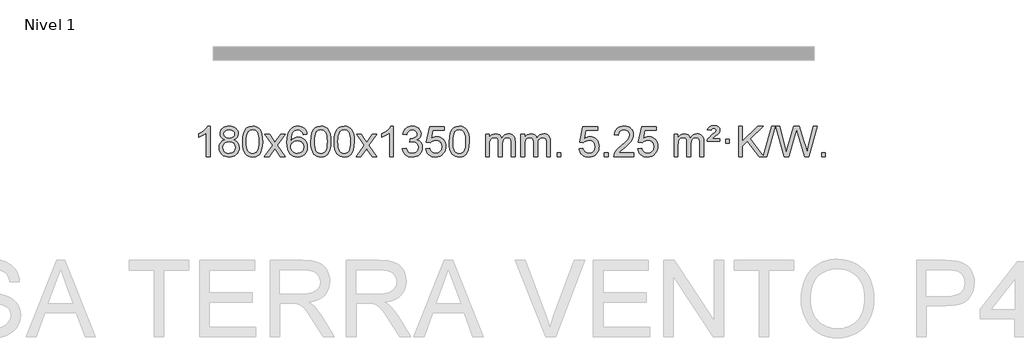
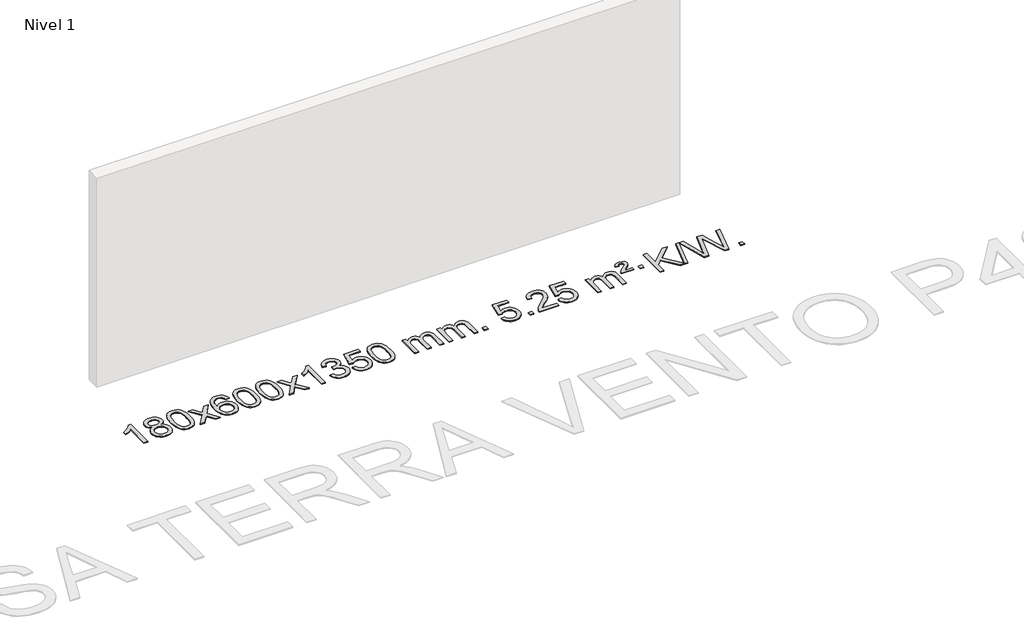
# One storey, part 2 of 10: 1 proxy.
"""IFC4 building model written with IfcOpenShell, lengths in millimetres."""

import ifcopenshell
import ifcopenshell.guid

model = None  # the IFC model being written
_history = None  # IfcOwnerHistory: only IFC2X3 demands one
_inside = {}  # id of a spatial element -> (the spatial element, [elements in it])
_under = {}  # id of a project, library or spatial element -> (it, [spatial elements below it])
_declared = {}  # id of a project -> (the project, [libraries it declares])
_typed = {}  # id of a type object -> (the type object, [elements of that type])
_made_of = {}  # id of a material, layer set ... -> (it, [elements and type objects made of it])


def new_model(schema):
    """Start an empty IFC model of exactly this schema.

    Asked for "IFC4X3", IfcOpenShell would pick the latest addendum, in which some entities
    have other attributes; the version numbers below select the first issue.
    IFC2X3 requires an IfcOwnerHistory on every rooted entity: one is made here for all.
    """
    global model, _history
    if schema == "IFC4X3":
        model = ifcopenshell.file(schema_version=(4, 3, 0, 0))
    else:
        model = ifcopenshell.file(schema=schema)
    _inside.clear()
    _under.clear()
    _declared.clear()
    _typed.clear()
    _made_of.clear()
    _history = None
    if model.schema == "IFC2X3":
        org = make("IfcOrganization", Name="unknown")
        user = make(
            "IfcPersonAndOrganization",
            ThePerson=make("IfcPerson", FamilyName="unknown"),
            TheOrganization=org,
        )
        app = make(
            "IfcApplication",
            ApplicationDeveloper=org,
            Version="unknown",
            ApplicationFullName="unknown",
            ApplicationIdentifier="unknown",
        )
        _history = make(
            "IfcOwnerHistory",
            OwningUser=user,
            OwningApplication=app,
            ChangeAction="ADDED",
            CreationDate=0,
        )
    return model


def make(cls, **values):
    """One entity of the class cls with the attributes given. An attribute that is None is left unset."""
    return model.create_entity(
        cls, **{name: value for name, value in values.items() if value is not None}
    )


def rooted(cls, **values):
    """An entity with a GlobalId (a new one), such as an element, a storey or a relation."""
    return make(cls, GlobalId=ifcopenshell.guid.new(), OwnerHistory=_history, **values)


def si_unit(unit_type, name, prefix=None):
    """IfcSIUnit, for example si_unit("LENGTHUNIT", "METRE", prefix="MILLI")."""
    return make("IfcSIUnit", UnitType=unit_type, Prefix=prefix, Name=name)


def assignment(units):
    """IfcUnitAssignment: the units of a project."""
    return None if units is None else make("IfcUnitAssignment", Units=units)


def point(xyz):
    """IfcCartesianPoint."""
    return None if xyz is None else make("IfcCartesianPoint", Coordinates=xyz)


def direction(xyz):
    """IfcDirection."""
    return None if xyz is None else make("IfcDirection", DirectionRatios=xyz)


def frame(location, z_axis=None, x_axis=None):
    """IfcAxis2Placement3D, a coordinate frame: its origin and axes. An axis left out is left unset."""
    return make(
        "IfcAxis2Placement3D",
        Location=point(location),
        Axis=direction(z_axis),
        RefDirection=direction(x_axis),
    )


def origin():
    """The frame at (0, 0, 0) with its axes left unset."""
    return frame((0.0, 0.0, 0.0))


def origin_with_axes():
    """The frame at (0, 0, 0) with the z axis (0, 0, 1) and the x axis (1, 0, 0) written out."""
    return frame((0.0, 0.0, 0.0), z_axis=(0.0, 0.0, 1.0), x_axis=(1.0, 0.0, 0.0))


def place(relative_to, where):
    """IfcLocalPlacement: puts the frame where relative to a parent placement (None: the world)."""
    return make(
        "IfcLocalPlacement", PlacementRelTo=relative_to, RelativePlacement=where
    )


def context(
    kind, dimensions, precision=None, world=None, true_north=None, identifier=None
):
    """IfcGeometricRepresentationContext, for example the 3D "Model" context."""
    return make(
        "IfcGeometricRepresentationContext",
        ContextIdentifier=identifier,
        ContextType=kind,
        CoordinateSpaceDimension=dimensions,
        Precision=precision,
        WorldCoordinateSystem=world,
        TrueNorth=true_north,
    )


def project(units=None, contexts=None):
    """IfcProject with its units and contexts."""
    return rooted(
        "IfcProject",
        Name="project",
        RepresentationContexts=contexts,
        UnitsInContext=assignment(units),
    )


def spatial(cls, under=None, at=None, **own):
    """A site, building, storey or space (cls), placed at a placement, below another one or the project."""
    s = rooted(cls, ObjectPlacement=at, **own)
    if under is not None:
        _under.setdefault(under.id(), (under, []))[1].append(s)
    return s


def polyline(points):
    """IfcPolyline through the points."""
    return make("IfcPolyline", Points=[point(p) for p in points])


def outline(outer, holes=None, kind="AREA"):
    """IfcArbitraryClosedProfileDef: a profile drawn as a closed curve; with holes, ...WithVoids."""
    if holes is None:
        return make("IfcArbitraryClosedProfileDef", ProfileType=kind, OuterCurve=outer)
    return make(
        "IfcArbitraryProfileDefWithVoids",
        ProfileType=kind,
        OuterCurve=outer,
        InnerCurves=holes,
    )


def extrude(swept, where, along, depth):
    """IfcExtrudedAreaSolid: the profile swept, set in the frame where, extruded along a direction by depth."""
    return make(
        "IfcExtrudedAreaSolid",
        SweptArea=swept,
        Position=where,
        ExtrudedDirection=direction(along),
        Depth=depth,
    )


def shape(context_of_items, identifier, shape_type, items):
    """IfcShapeRepresentation: the items that make up one representation, for example the "Body"."""
    return make(
        "IfcShapeRepresentation",
        ContextOfItems=context_of_items,
        RepresentationIdentifier=identifier,
        RepresentationType=shape_type,
        Items=items,
    )


def made_of(thing, what):
    """Note that an element or type object is made of a material, layer set ...; save() writes the relation."""
    if what is not None:
        _made_of.setdefault(what.id(), (what, []))[1].append(thing)
    return thing


def element(
    cls,
    number,
    at=None,
    inside=None,
    cuts=None,
    type_object=None,
    material=None,
    context=None,
    identifier="Body",
    shape_type=None,
    held_by="IfcProductDefinitionShape",
    body=None,
    shapes=None,
    **own,
):
    """One element of the class cls, such as IfcWall. Its Tag is "e" and its number.

    at: its placement. inside: the storey or other place that contains it. cuts: it is an
    opening in that element (IfcRelVoidsElement). A single representation is given by context,
    identifier, shape_type and body (its items); several are given by shapes. held_by: the class
    of the entity that holds the representations. save() writes the other relations.
    """
    e = rooted(cls, Tag="e%d" % number, ObjectPlacement=at, **own)
    if body is not None:
        shapes = [shape(context, identifier, shape_type, body)]
    if shapes is not None:
        e.Representation = make(held_by, Representations=shapes)
    if inside is not None:
        _inside.setdefault(inside.id(), (inside, []))[1].append(e)
    if cuts is not None:
        rooted(
            "IfcRelVoidsElement", RelatingBuildingElement=cuts, RelatedOpeningElement=e
        )
    if type_object is not None:
        _typed.setdefault(type_object.id(), (type_object, []))[1].append(e)
    return made_of(e, material)


def aggregate(whole, parts):
    """IfcRelAggregates: a whole, such as a stair, and the parts it consists of."""
    return rooted("IfcRelAggregates", RelatingObject=whole, RelatedObjects=parts)


def save(model, path):
    """Write the relations noted so far, then the file.

    IfcRelAggregates (storeys below a building ...), IfcRelContainedInSpatialStructure (elements
    in a storey), IfcRelDefinesByType, IfcRelAssociatesMaterial and IfcRelDeclares: one each for
    every whole, place, type object, material and project.
    """
    for whole, parts in _under.values():
        aggregate(whole, parts)
    for where, things in _inside.values():
        rooted(
            "IfcRelContainedInSpatialStructure",
            RelatedElements=things,
            RelatingStructure=where,
        )
    for kind, things in _typed.values():
        rooted("IfcRelDefinesByType", RelatedObjects=things, RelatingType=kind)
    for what, things in _made_of.values():
        rooted("IfcRelAssociatesMaterial", RelatedObjects=things, RelatingMaterial=what)
    for by, libraries in _declared.values():
        rooted("IfcRelDeclares", RelatingContext=by, RelatedDefinitions=libraries)
    model.write(path)


model = new_model("IFC4")

# Units and contexts
model_context = context("Model", 3, world=origin())
ifc_project = project(units=[si_unit("LENGTHUNIT", "METRE", prefix="MILLI")], contexts=[model_context])

# Site, building, storey
site = spatial("IfcSite", under=ifc_project)
building = spatial("IfcBuilding", under=site)
storey = spatial("IfcBuildingStorey", under=building, Name="Nivel 1", Elevation=0.0)

# Proxy
placement = place(None, origin())
element("IfcBuildingElementProxy", 1, Name="Texto de modelo 1", ObjectType="Texto de modelo 1", at=placement, inside=storey, context=model_context, shape_type="SweptSolid", body=[
    extrude(outline(polyline([(-6575.4615788, -21475.579453), (-6625.6897338, -21475.579453), (-6625.6897338, -21162.4382987), (-6646.6590076, -21179.3976587), (-6673.2691385, -21196.3324932), (-6726.146044, -21221.6918254), (-6726.146044, -21174.2105225), (-6686.6968314, -21152.7507395), (-6652.520594, -21127.219729), (-6625.5793692, -21100.0700378), (-6607.8351943, -21073.7542124), (-6575.4615788, -21073.7542124), (-6575.4615788, -21475.579453)])), origin_with_axes(), (0.0, 0.0, 1.0), 10.0),
    extrude(outline(polyline([(-6382.9857189, -21254.2616447), (-6409.8778927, -21241.0178929), (-6428.7502391, -21223.0652515), (-6439.8970635, -21200.7716026), (-6443.6126717, -21174.5048281), (-6441.5893207, -21154.0199324), (-6435.5192678, -21135.2395565), (-6425.4025129, -21118.1637006), (-6411.2390561, -21102.7923645), (-6393.709479, -21090.088173), (-6373.4943634, -21081.0137504), (-6350.5937092, -21075.5690969), (-6325.0075164, -21073.7542124), (-6299.2986964, -21075.6120165), (-6276.2263639, -21081.1854287), (-6255.7905191, -21090.4744491), (-6237.9911619, -21103.4790776), (-6223.5701876, -21119.1508506), (-6213.2694918, -21136.4413044), (-6207.0890743, -21155.3504389), (-6205.0289351, -21175.8782543), (-6208.6954923, -21201.2989001), (-6219.695164, -21223.2124043), (-6238.1505774, -21241.0546811), (-6264.1843599, -21254.2616447), (-6233.2700096, -21270.1909351), (-6210.7678942, -21293.6495436), (-6197.0458958, -21323.5092989), (-6192.4718963, -21358.6420295), (-6194.740502, -21383.6947933), (-6201.5463189, -21406.6628926), (-6212.8893471, -21427.5463272), (-6228.7695865, -21446.3450971), (-6248.3531714, -21461.88198), (-6270.8062358, -21472.9797536), (-6296.1287798, -21479.6384177), (-6324.3208034, -21481.8579724), (-6352.512827, -21479.6292206), (-6377.835371, -21472.9429654), (-6400.2884354, -21461.7992066), (-6419.8720203, -21446.1979443), (-6435.7522597, -21427.26735), (-6447.0952879, -21406.135595), (-6453.9011048, -21382.8026795), (-6456.1697105, -21357.2686033), (-6451.41177, -21320.7747094), (-6437.1379486, -21290.7555386), (-6414.0840102, -21268.2411605), (-6382.9857189, -21254.2616447)]), holes=[polyline([(-6393.3845166, -21175.9763561), (-6388.9331445, -21197.902123), (-6375.5790281, -21215.413306), (-6353.7145748, -21226.8912243), (-6323.7321922, -21230.717197), (-6294.4487854, -21226.9157497), (-6272.9154259, -21215.5114079), (-6259.6716741, -21198.5888361), (-6255.2570902, -21178.232699), (-6259.8188269, -21157.1040098), (-6273.5040371, -21139.629615), (-6295.3317022, -21127.8941794), (-6324.3208034, -21123.9823675), (-6353.4938456, -21127.8083402), (-6375.2847225, -21139.2862585), (-6388.8595681, -21156.1107284), (-6393.3845166, -21175.9763561)]), polyline([(-6405.9415554, -21355.5027698), (-6403.844628, -21374.7184726), (-6397.5538459, -21393.3210389), (-6385.9410376, -21409.5446349), (-6367.8780316, -21421.623427), (-6346.2465703, -21429.1282197), (-6323.9283959, -21431.6298173), (-6289.7398958, -21426.3691048), (-6275.8462192, -21419.7932141), (-6264.086258, -21410.5869672), (-6248.0466031, -21386.6869002), (-6242.7000514, -21357.0723996), (-6248.2182813, -21326.9551269), (-6264.7729711, -21302.5277625), (-6276.8517633, -21293.0854579), (-6291.0152201, -21286.3409547), (-6325.5961276, -21280.9453521), (-6359.3063811, -21286.2673783), (-6373.043708, -21292.919911), (-6384.7025015, -21302.2334569), (-6400.6317919, -21326.1948375), (-6405.9415554, -21355.5027698)])]), origin_with_axes(), (0.0, 0.0, 1.0), 10.0),
    extrude(outline(polyline([(-6148.5222606, -21277.9041943), (-6144.8311779, -21213.5861588), (-6133.7579299, -21162.2911459), (-6115.4128811, -21123.2343407), (-6103.5548181, -21108.0009605), (-6089.9063961, -21095.6309284), (-6074.4216298, -21086.0598651), (-6057.0545339, -21079.2233914), (-6016.6733536, -21073.7542124), (-5985.722215, -21076.991574), (-5958.0084381, -21086.7036586), (-5934.8318724, -21102.5103217), (-5917.4923677, -21124.0314184), (-5904.3957686, -21151.0830078), (-5893.94792, -21183.4811488), (-5887.1053149, -21224.6226186), (-5884.8244465, -21277.9041943), (-5888.478741, -21341.8543477), (-5899.4416244, -21393.0267333), (-5917.6763087, -21432.1203266), (-5929.5067805, -21447.3996922), (-5943.1460055, -21459.8341036), (-5958.6491659, -21469.4695462), (-5976.071444, -21476.3520052), (-6016.6733536, -21481.8579724), (-6044.3380796, -21479.4667394), (-6068.8635459, -21472.2930405), (-6090.2497526, -21460.3368757), (-6108.4966996, -21443.5982449), (-6126.0078825, -21413.3399508), (-6138.5158704, -21375.6381776), (-6146.0206631, -21330.4929255), (-6148.5222606, -21277.9041943)]), holes=[polyline([(-6098.2941056, -21277.8060924), (-6096.8225776, -21321.4706195), (-6092.4079936, -21356.8148822), (-6085.0503537, -21383.8388804), (-6074.7496579, -21402.5426142), (-6062.290721, -21415.2682656), (-6048.4583579, -21424.3580165), (-6033.2525688, -21429.8118671), (-6016.6733536, -21431.6298173), (-6000.0941383, -21429.8057357), (-5984.8883492, -21424.3334911), (-5971.0559862, -21415.2130833), (-5958.5970493, -21402.4445124), (-5948.2963534, -21383.7101217), (-5940.9387135, -21356.6922549), (-5936.5241295, -21321.3909118), (-5935.0526016, -21277.8060924), (-5936.4750786, -21235.2973278), (-5940.7425098, -21200.5753989), (-5947.854895, -21173.6403055), (-5957.8122343, -21154.4920476), (-5970.0627048, -21141.1440625), (-5984.0544833, -21131.6097875), (-5999.78757, -21125.8892225), (-6017.2619648, -21123.9823675), (-6033.7553409, -21125.6623619), (-6048.7036126, -21130.7023452), (-6062.10678, -21139.1023175), (-6073.9648429, -21150.8622786), (-6084.6088953, -21171.708925), (-6092.2117899, -21199.8151094), (-6096.7735266, -21235.1808319), (-6098.2941056, -21277.8060924)])]), origin_with_axes(), (0.0, 0.0, 1.0), 10.0),
    extrude(outline(polyline([(-5859.7103689, -21475.579453), (-5752.3869282, -21327.2494325), (-5853.4318496, -21180.4890419), (-5793.0011005, -21180.4890419), (-5744.2444734, -21251.122385), (-5721.4848406, -21284.4770192), (-5701.7663657, -21257.2047007), (-5646.2407099, -21180.4890419), (-5585.8099608, -21180.4890419), (-5691.9561791, -21327.2494325), (-5589.7340354, -21475.579453), (-5650.1647845, -21475.579453), (-5711.6746541, -21386.4048574), (-5722.9563686, -21370.1199477), (-5799.2796199, -21475.579453), (-5859.7103689, -21475.579453)])), origin_with_axes(), (0.0, 0.0, 1.0), 10.0),
    extrude(outline(polyline([(-5300.9221437, -21180.4890419), (-5351.1502988, -21186.7675613), (-5359.2437027, -21161.874213), (-5370.1820607, -21144.8780648), (-5392.9662189, -21129.2062918), (-5420.5083176, -21123.9823675), (-5443.8565616, -21127.0235253), (-5465.8313794, -21136.1469988), (-5484.7037258, -21155.3627017), (-5500.1179814, -21181.8134171), (-5510.5290419, -21219.227016), (-5514.3918028, -21271.3313693), (-5494.2441322, -21247.8237098), (-5470.0988106, -21231.2567573), (-5443.3047386, -21221.434308), (-5415.2108169, -21218.1601582), (-5391.077758, -21220.398107), (-5368.8086346, -21227.1119534), (-5348.4034466, -21238.3016975), (-5329.862194, -21253.9673391), (-5314.4540698, -21273.1769106), (-5303.4482668, -21294.9984443), (-5296.844785, -21319.4319401), (-5294.6436244, -21346.4773982), (-5298.7884282, -21382.4439945), (-5311.2228396, -21415.786366), (-5330.9167891, -21444.0642287), (-5356.840207, -21464.8372987), (-5387.815871, -21477.602804), (-5422.6665587, -21481.8579724), (-5452.6090874, -21479.0375437), (-5479.6514797, -21470.5762579), (-5503.7937357, -21456.4741147), (-5525.0358552, -21436.7311143), (-5542.3539001, -21410.5133908), (-5554.7239322, -21376.9870783), (-5562.1459515, -21336.1521768), (-5564.6199579, -21288.0086864), (-5561.8731057, -21234.0342663), (-5553.632549, -21187.9693092), (-5539.8982878, -21149.8138149), (-5520.6703222, -21119.5677835), (-5499.8298072, -21099.5243462), (-5475.6660915, -21085.2076052), (-5448.179175, -21076.6175606), (-5417.3690579, -21073.7542124), (-5394.2354118, -21075.5261773), (-5373.2967949, -21080.8420722), (-5354.5532073, -21089.7018969), (-5338.0046489, -21102.1056515), (-5324.0987094, -21117.6364031), (-5313.2829788, -21135.8772186), (-5305.5574569, -21156.8280983), (-5300.9221437, -21180.4890419)]), holes=[polyline([(-5514.3918028, -21345.6925832), (-5511.485535, -21367.9494439), (-5502.7667318, -21389.2007605), (-5489.2286743, -21407.472233), (-5471.8646442, -21420.7895612), (-5450.9076332, -21428.9197533), (-5426.5906333, -21431.6298173), (-5393.4444655, -21426.0134855), (-5379.5293291, -21418.9930708), (-5367.3861575, -21409.1644901), (-5357.5361171, -21396.9262824), (-5350.500374, -21382.6769865), (-5344.8717794, -21348.1451299), (-5350.4267976, -21314.9989621), (-5357.3705702, -21301.3781312), (-5367.0918519, -21289.725469), (-5379.2718117, -21280.3904634), (-5393.5916183, -21273.7226022), (-5428.6507725, -21268.3883133), (-5461.7478893, -21273.7226022), (-5489.4248781, -21289.725469), (-5500.3479076, -21301.2248471), (-5508.1500716, -21314.3858254), (-5512.83137, -21329.2084042), (-5514.3918028, -21345.6925832)])]), origin_with_axes(), (0.0, 0.0, 1.0), 10.0),
    extrude(outline(polyline([(-5250.6939887, -21277.9041943), (-5247.002906, -21213.5861588), (-5235.9296579, -21162.2911459), (-5217.5846091, -21123.2343407), (-5205.7265461, -21108.0009605), (-5192.0781241, -21095.6309284), (-5176.5933578, -21086.0598651), (-5159.2262619, -21079.2233914), (-5118.8450816, -21073.7542124), (-5087.8939431, -21076.991574), (-5060.1801661, -21086.7036586), (-5037.0036004, -21102.5103217), (-5019.6640957, -21124.0314184), (-5006.5674967, -21151.0830078), (-4996.119648, -21183.4811488), (-4989.2770429, -21224.6226186), (-4986.9961745, -21277.9041943), (-4990.650469, -21341.8543477), (-5001.6133525, -21393.0267333), (-5019.8480367, -21432.1203266), (-5031.6785085, -21447.3996922), (-5045.3177335, -21459.8341036), (-5060.8208939, -21469.4695462), (-5078.2431721, -21476.3520052), (-5118.8450816, -21481.8579724), (-5146.5098076, -21479.4667394), (-5171.035274, -21472.2930405), (-5192.4214806, -21460.3368757), (-5210.6684276, -21443.5982449), (-5228.1796106, -21413.3399508), (-5240.6875984, -21375.6381776), (-5248.1923911, -21330.4929255), (-5250.6939887, -21277.9041943)]), holes=[polyline([(-5200.4658336, -21277.8060924), (-5198.9943056, -21321.4706195), (-5194.5797217, -21356.8148822), (-5187.2220818, -21383.8388804), (-5176.9213859, -21402.5426142), (-5164.462449, -21415.2682656), (-5150.630086, -21424.3580165), (-5135.4242968, -21429.8118671), (-5118.8450816, -21431.6298173), (-5102.2658663, -21429.8057357), (-5087.0600772, -21424.3334911), (-5073.2277142, -21415.2130833), (-5060.7687773, -21402.4445124), (-5050.4680814, -21383.7101217), (-5043.1104415, -21356.6922549), (-5038.6958576, -21321.3909118), (-5037.2243296, -21277.8060924), (-5038.6468066, -21235.2973278), (-5042.9142378, -21200.5753989), (-5050.026623, -21173.6403055), (-5059.9839624, -21154.4920476), (-5072.2344328, -21141.1440625), (-5086.2262114, -21131.6097875), (-5101.959298, -21125.8892225), (-5119.4336928, -21123.9823675), (-5135.9270689, -21125.6623619), (-5150.8753406, -21130.7023452), (-5164.278508, -21139.1023175), (-5176.136571, -21150.8622786), (-5186.7806234, -21171.708925), (-5194.3835179, -21199.8151094), (-5198.9452547, -21235.1808319), (-5200.4658336, -21277.8060924)])]), origin_with_axes(), (0.0, 0.0, 1.0), 10.0),
    extrude(outline(polyline([(-4943.0465388, -21277.9041943), (-4939.3554561, -21213.5861588), (-4928.2822081, -21162.2911459), (-4909.9371593, -21123.2343407), (-4898.0790963, -21108.0009605), (-4884.4306743, -21095.6309284), (-4868.945908, -21086.0598651), (-4851.5788121, -21079.2233914), (-4811.1976318, -21073.7542124), (-4780.2464932, -21076.991574), (-4752.5327163, -21086.7036586), (-4729.3561506, -21102.5103217), (-4712.0166459, -21124.0314184), (-4698.9200468, -21151.0830078), (-4688.4721982, -21183.4811488), (-4681.6295931, -21224.6226186), (-4679.3487247, -21277.9041943), (-4683.0030192, -21341.8543477), (-4693.9659026, -21393.0267333), (-4712.2005869, -21432.1203266), (-4724.0310587, -21447.3996922), (-4737.6702837, -21459.8341036), (-4753.1734441, -21469.4695462), (-4770.5957222, -21476.3520052), (-4811.1976318, -21481.8579724), (-4838.8623578, -21479.4667394), (-4863.3878241, -21472.2930405), (-4884.7740308, -21460.3368757), (-4903.0209778, -21443.5982449), (-4920.5321607, -21413.3399508), (-4933.0401486, -21375.6381776), (-4940.5449413, -21330.4929255), (-4943.0465388, -21277.9041943)]), holes=[polyline([(-4892.8183838, -21277.8060924), (-4891.3468558, -21321.4706195), (-4886.9322718, -21356.8148822), (-4879.5746319, -21383.8388804), (-4869.2739361, -21402.5426142), (-4856.8149992, -21415.2682656), (-4842.9826361, -21424.3580165), (-4827.776847, -21429.8118671), (-4811.1976318, -21431.6298173), (-4794.6184165, -21429.8057357), (-4779.4126274, -21424.3334911), (-4765.5802644, -21415.2130833), (-4753.1213275, -21402.4445124), (-4742.8206316, -21383.7101217), (-4735.4629917, -21356.6922549), (-4731.0484077, -21321.3909118), (-4729.5768798, -21277.8060924), (-4730.9993568, -21235.2973278), (-4735.266788, -21200.5753989), (-4742.3791732, -21173.6403055), (-4752.3365125, -21154.4920476), (-4764.586983, -21141.1440625), (-4778.5787615, -21131.6097875), (-4794.3118482, -21125.8892225), (-4811.786243, -21123.9823675), (-4828.2796191, -21125.6623619), (-4843.2278908, -21130.7023452), (-4856.6310582, -21139.1023175), (-4868.4891211, -21150.8622786), (-4879.1331735, -21171.708925), (-4886.7360681, -21199.8151094), (-4891.2978048, -21235.1808319), (-4892.8183838, -21277.8060924)])]), origin_with_axes(), (0.0, 0.0, 1.0), 10.0),
    extrude(outline(polyline([(-4654.2346472, -21475.579453), (-4546.9112064, -21327.2494325), (-4647.9561278, -21180.4890419), (-4587.5253787, -21180.4890419), (-4538.7687516, -21251.122385), (-4516.0091188, -21284.4770192), (-4496.2906439, -21257.2047007), (-4440.7649881, -21180.4890419), (-4380.334239, -21180.4890419), (-4486.4804574, -21327.2494325), (-4384.2583136, -21475.579453), (-4444.6890627, -21475.579453), (-4506.1989323, -21386.4048574), (-4517.4806468, -21370.1199477), (-4593.8038981, -21475.579453), (-4654.2346472, -21475.579453)])), origin_with_axes(), (0.0, 0.0, 1.0), 10.0),
    extrude(outline(polyline([(-4164.5101352, -21475.579453), (-4214.7382902, -21475.579453), (-4214.7382902, -21162.4382987), (-4235.707564, -21179.3976587), (-4262.317695, -21196.3324932), (-4315.1946004, -21221.6918254), (-4315.1946004, -21174.2105225), (-4275.7453878, -21152.7507395), (-4241.5691504, -21127.219729), (-4214.6279257, -21100.0700378), (-4196.8837508, -21073.7542124), (-4164.5101352, -21073.7542124), (-4164.5101352, -21475.579453)])), origin_with_axes(), (0.0, 0.0, 1.0), 10.0),
    extrude(outline(polyline([(-4045.2182669, -21368.8446235), (-3994.9901118, -21362.5661041), (-3983.7451855, -21394.1303793), (-3967.2763348, -21415.4430095), (-3944.7742195, -21427.5831154), (-3915.429499, -21431.6298173), (-3880.9957442, -21426.0625364), (-3866.7219228, -21419.1034354), (-3854.4101387, -21409.3606939), (-3837.4139905, -21384.4428201), (-3831.7486078, -21354.2274455), (-3837.3649396, -21325.5449126), (-3854.213935, -21302.2825078), (-3879.72042, -21286.8682522), (-3911.3092206, -21281.730167), (-3946.5277903, -21287.2238715), (-3940.935984, -21236.9957164), (-3932.891631, -21237.5843276), (-3902.7988838, -21233.979084), (-3875.8944472, -21223.1633534), (-3864.8211992, -21214.9841103), (-3856.9117363, -21204.8673555), (-3852.1660585, -21192.8130888), (-3850.584166, -21178.8213102), (-3855.1704282, -21157.1285352), (-3868.9292148, -21139.5315131), (-3889.923014, -21127.8696539), (-3916.2143139, -21123.9823675), (-3942.5546648, -21127.9064421), (-3964.0880242, -21139.6786659), (-3979.8088481, -21159.299039), (-3988.7115924, -21186.7675613), (-4038.9397475, -21180.4890419), (-4032.9861905, -21156.5092672), (-4024.1508913, -21135.3867093), (-4012.4338497, -21117.1213683), (-3997.8350659, -21101.713244), (-3980.8143923, -21089.4811677), (-3961.8316813, -21080.7439703), (-3940.886933, -21075.5016519), (-3917.9801475, -21073.7542124), (-3886.4036096, -21077.2000404), (-3857.4022456, -21087.5375245), (-3832.9503557, -21103.8469596), (-3815.0222398, -21125.2086408), (-3804.0225681, -21149.8199463), (-3800.3560109, -21175.8782543), (-3803.8386271, -21200.1584659), (-3814.2864758, -21222.1823347), (-3831.5524041, -21240.9443165), (-3855.4892592, -21255.4388671), (-3824.0476114, -21268.1430586), (-3800.7484183, -21289.77452), (-3786.3274441, -21319.1560286), (-3781.5204527, -21355.1103623), (-3783.9239484, -21380.5923218), (-3791.1344355, -21404.0631931), (-3803.151914, -21425.5229762), (-3819.976384, -21444.971671), (-3840.4735425, -21461.1094278), (-3863.5090867, -21472.636397), (-3889.0830168, -21479.5525785), (-3917.1953326, -21481.8579724), (-3942.6037157, -21479.8898037), (-3965.7557559, -21473.9852977), (-3986.6514532, -21464.1444543), (-4005.2908077, -21450.3672736), (-4020.9196611, -21433.4630959), (-4032.7838554, -21414.2412617), (-4040.8833907, -21392.7017708), (-4045.2182669, -21368.8446235)])), origin_with_axes(), (0.0, 0.0, 1.0), 10.0),
    extrude(outline(polyline([(-3737.570817, -21368.8446235), (-3687.342662, -21362.5661041), (-3678.1210866, -21392.7201649), (-3662.0323807, -21414.3148381), (-3639.1501206, -21427.3010725), (-3609.5478827, -21431.6298173), (-3590.418019, -21430.1245668), (-3573.5444981, -21425.6088153), (-3558.9273202, -21418.0825628), (-3546.5664851, -21407.5458094), (-3536.7379045, -21394.519721), (-3529.7174898, -21379.5254641), (-3524.101158, -21343.6324441), (-3529.3618705, -21309.8363514), (-3535.9377612, -21295.9181493), (-3545.1440081, -21283.9865099), (-3557.0112681, -21274.4154467), (-3571.5701981, -21267.5789729), (-3608.7630678, -21262.1097939), (-3633.1291186, -21264.2925604), (-3652.8598563, -21270.8408599), (-3668.6174684, -21280.8717757), (-3681.0641426, -21293.5023908), (-3731.2922977, -21287.2238715), (-3687.342662, -21080.0327318), (-3492.708561, -21080.0327318), (-3492.708561, -21130.2608869), (-3646.7284897, -21130.2608869), (-3668.2127982, -21240.919791), (-3650.4870174, -21228.2155994), (-3632.332041, -21219.1411769), (-3613.7478688, -21213.6965234), (-3594.734501, -21211.8816388), (-3570.273414, -21214.1318504), (-3547.8050212, -21220.882485), (-3527.3293225, -21232.1335427), (-3508.8463179, -21247.8850234), (-3493.5454926, -21267.1743027), (-3482.6163316, -21289.038756), (-3476.0588351, -21313.4783832), (-3473.8730029, -21340.4931844), (-3475.8411716, -21366.5147042), (-3481.7456776, -21390.7213394), (-3491.586521, -21413.1130902), (-3505.3637017, -21433.6899565), (-3526.2348735, -21454.7634634), (-3550.5886616, -21469.8159684), (-3578.4250659, -21478.8474714), (-3609.7440864, -21481.8579724), (-3635.6644387, -21479.9235262), (-3659.077062, -21474.1201877), (-3679.9819564, -21464.447957), (-3698.3791218, -21450.9068338), (-3713.6860785, -21434.1712688), (-3725.3203466, -21414.915712), (-3733.2819261, -21393.1401636), (-3737.570817, -21368.8446235)])), origin_with_axes(), (0.0, 0.0, 1.0), 10.0),
    extrude(outline(polyline([(-3429.9233672, -21277.9041943), (-3426.2322845, -21213.5861588), (-3415.1590365, -21162.2911459), (-3396.8139876, -21123.2343407), (-3384.9559247, -21108.0009605), (-3371.3075026, -21095.6309284), (-3355.8227363, -21086.0598651), (-3338.4556405, -21079.2233914), (-3298.0744601, -21073.7542124), (-3267.1233216, -21076.991574), (-3239.4095446, -21086.7036586), (-3216.2329789, -21102.5103217), (-3198.8934742, -21124.0314184), (-3185.7968752, -21151.0830078), (-3175.3490265, -21183.4811488), (-3168.5064214, -21224.6226186), (-3166.2255531, -21277.9041943), (-3169.8798475, -21341.8543477), (-3180.842731, -21393.0267333), (-3199.0774152, -21432.1203266), (-3210.9078871, -21447.3996922), (-3224.547112, -21459.8341036), (-3240.0502724, -21469.4695462), (-3257.4725506, -21476.3520052), (-3298.0744601, -21481.8579724), (-3325.7391862, -21479.4667394), (-3350.2646525, -21472.2930405), (-3371.6508592, -21460.3368757), (-3389.8978061, -21443.5982449), (-3407.4089891, -21413.3399508), (-3419.9169769, -21375.6381776), (-3427.4217696, -21330.4929255), (-3429.9233672, -21277.9041943)]), holes=[polyline([(-3379.6952121, -21277.8060924), (-3378.2236842, -21321.4706195), (-3373.8091002, -21356.8148822), (-3366.4514603, -21383.8388804), (-3356.1507644, -21402.5426142), (-3343.6918275, -21415.2682656), (-3329.8594645, -21424.3580165), (-3314.6536754, -21429.8118671), (-3298.0744601, -21431.6298173), (-3281.4952449, -21429.8057357), (-3266.2894558, -21424.3334911), (-3252.4570927, -21415.2130833), (-3239.9981558, -21402.4445124), (-3229.69746, -21383.7101217), (-3222.3398201, -21356.6922549), (-3217.9252361, -21321.3909118), (-3216.4537081, -21277.8060924), (-3217.8761852, -21235.2973278), (-3222.1436163, -21200.5753989), (-3229.2560016, -21173.6403055), (-3239.2133409, -21154.4920476), (-3251.4638113, -21141.1440625), (-3265.4555899, -21131.6097875), (-3281.1886766, -21125.8892225), (-3298.6630713, -21123.9823675), (-3315.1564474, -21125.6623619), (-3330.1047192, -21130.7023452), (-3343.5078865, -21139.1023175), (-3355.3659495, -21150.8622786), (-3366.0100019, -21171.708925), (-3373.6128965, -21199.8151094), (-3378.1746332, -21235.1808319), (-3379.6952121, -21277.8060924)])]), origin_with_axes(), (0.0, 0.0, 1.0), 10.0),
    extrude(outline(polyline([(-2952.755894, -21475.579453), (-2952.755894, -21180.4890419), (-2902.5277389, -21180.4890419), (-2902.5277389, -21229.0494653), (-2887.4200517, -21206.7435537), (-2867.9958823, -21189.2691589), (-2844.9174185, -21177.9751816), (-2818.8468478, -21174.2105225), (-2790.9123416, -21178.048758), (-2768.5205908, -21189.5634645), (-2751.7942228, -21207.9943524), (-2740.8558648, -21232.5811324), (-2722.5476041, -21207.0439906), (-2701.6641696, -21188.803175), (-2678.205561, -21177.8586857), (-2652.1717785, -21174.2105225), (-2632.0639617, -21175.7280358), (-2614.414823, -21180.2805755), (-2599.2243623, -21187.8681416), (-2586.4925796, -21198.4907342), (-2576.4279413, -21212.2709806), (-2569.238914, -21229.3315082), (-2564.9254976, -21249.6723168), (-2563.4876922, -21273.2934066), (-2563.4876922, -21475.579453), (-2613.7158472, -21475.579453), (-2613.7158472, -21294.875817), (-2614.8808069, -21269.8230531), (-2618.3756858, -21252.9372695), (-2624.9239854, -21241.3735121), (-2635.2492067, -21232.2868268), (-2648.5297467, -21226.4007149), (-2663.9440023, -21224.4386776), (-2691.1550072, -21229.4663982), (-2713.3382915, -21244.54956), (-2721.9436645, -21256.1194488), (-2728.0903595, -21270.7182326), (-2733.0077155, -21309.0024856), (-2733.0077155, -21475.579453), (-2783.2358706, -21475.579453), (-2783.2358706, -21289.2840106), (-2786.1421384, -21260.8835206), (-2794.8609417, -21240.6254854), (-2810.2016209, -21228.4853796), (-2832.9735164, -21224.4386776), (-2852.3241093, -21227.1364789), (-2870.1541233, -21235.2298828), (-2884.8694032, -21248.5226856), (-2894.8757934, -21266.8186835), (-2900.6147525, -21292.2025411), (-2902.5277389, -21326.7589232), (-2902.5277389, -21475.579453), (-2952.755894, -21475.579453)])), origin_with_axes(), (0.0, 0.0, 1.0), 10.0),
    extrude(outline(polyline([(-2488.1454596, -21475.579453), (-2488.1454596, -21180.4890419), (-2437.9173045, -21180.4890419), (-2437.9173045, -21229.0494653), (-2422.8096172, -21206.7435537), (-2403.3854479, -21189.2691589), (-2380.306984, -21177.9751816), (-2354.2364133, -21174.2105225), (-2326.3019071, -21178.048758), (-2303.9101564, -21189.5634645), (-2287.1837883, -21207.9943524), (-2276.2454303, -21232.5811324), (-2257.9371697, -21207.0439906), (-2237.0537351, -21188.803175), (-2213.5951266, -21177.8586857), (-2187.561344, -21174.2105225), (-2167.4535273, -21175.7280358), (-2149.8043886, -21180.2805755), (-2134.6139279, -21187.8681416), (-2121.8821452, -21198.4907342), (-2111.8175069, -21212.2709806), (-2104.6284796, -21229.3315082), (-2100.3150632, -21249.6723168), (-2098.8772577, -21273.2934066), (-2098.8772577, -21475.579453), (-2149.1054128, -21475.579453), (-2149.1054128, -21294.875817), (-2150.2703724, -21269.8230531), (-2153.7652514, -21252.9372695), (-2160.3135509, -21241.3735121), (-2170.6387722, -21232.2868268), (-2183.9193123, -21226.4007149), (-2199.3335679, -21224.4386776), (-2226.5445728, -21229.4663982), (-2248.7278571, -21244.54956), (-2257.3332301, -21256.1194488), (-2263.4799251, -21270.7182326), (-2268.3972811, -21309.0024856), (-2268.3972811, -21475.579453), (-2318.6254362, -21475.579453), (-2318.6254362, -21289.2840106), (-2321.5317039, -21260.8835206), (-2330.2505072, -21240.6254854), (-2345.5911864, -21228.4853796), (-2368.3630819, -21224.4386776), (-2387.7136749, -21227.1364789), (-2405.5436889, -21235.2298828), (-2420.2589687, -21248.5226856), (-2430.265359, -21266.8186835), (-2436.0043181, -21292.2025411), (-2437.9173045, -21326.7589232), (-2437.9173045, -21475.579453), (-2488.1454596, -21475.579453)])), origin_with_axes(), (0.0, 0.0, 1.0), 10.0),
    extrude(outline(polyline([(-2010.9779863, -21475.579453), (-2010.9779863, -21425.3512979), (-1960.7498313, -21425.3512979), (-1960.7498313, -21475.579453), (-2010.9779863, -21475.579453)])), origin_with_axes(), (0.0, 0.0, 1.0), 10.0),
    extrude(outline(polyline([(-1722.1660947, -21368.8446235), (-1671.9379396, -21362.5661041), (-1662.7163642, -21392.7201649), (-1646.6276583, -21414.3148381), (-1623.7453982, -21427.3010725), (-1594.1431603, -21431.6298173), (-1575.0132966, -21430.1245668), (-1558.1397757, -21425.6088153), (-1543.5225978, -21418.0825628), (-1531.1617628, -21407.5458094), (-1521.3331821, -21394.519721), (-1514.3127674, -21379.5254641), (-1508.6964356, -21343.6324441), (-1513.9571481, -21309.8363514), (-1520.5330388, -21295.9181493), (-1529.7392857, -21283.9865099), (-1541.6065457, -21274.4154467), (-1556.1654757, -21267.5789729), (-1593.3583454, -21262.1097939), (-1617.7243962, -21264.2925604), (-1637.4551339, -21270.8408599), (-1653.212746, -21280.8717757), (-1665.6594202, -21293.5023908), (-1715.8875753, -21287.2238715), (-1671.9379396, -21080.0327318), (-1477.3038387, -21080.0327318), (-1477.3038387, -21130.2608869), (-1631.3237673, -21130.2608869), (-1652.8080758, -21240.919791), (-1635.082295, -21228.2155994), (-1616.9273186, -21219.1411769), (-1598.3431465, -21213.6965234), (-1579.3297787, -21211.8816388), (-1554.8686917, -21214.1318504), (-1532.4002988, -21220.882485), (-1511.9246001, -21232.1335427), (-1493.4415955, -21247.8850234), (-1478.1407702, -21267.1743027), (-1467.2116093, -21289.038756), (-1460.6541127, -21313.4783832), (-1458.4682805, -21340.4931844), (-1460.4364492, -21366.5147042), (-1466.3409552, -21390.7213394), (-1476.1817986, -21413.1130902), (-1489.9589793, -21433.6899565), (-1510.8301512, -21454.7634634), (-1535.1839392, -21469.8159684), (-1563.0203435, -21478.8474714), (-1594.3393641, -21481.8579724), (-1620.2597163, -21479.9235262), (-1643.6723396, -21474.1201877), (-1664.577234, -21464.447957), (-1682.9743994, -21450.9068338), (-1698.2813561, -21434.1712688), (-1709.9156242, -21414.915712), (-1717.8772037, -21393.1401636), (-1722.1660947, -21368.8446235)])), origin_with_axes(), (0.0, 0.0, 1.0), 10.0),
    extrude(outline(polyline([(-1389.4045673, -21475.579453), (-1389.4045673, -21425.3512979), (-1339.1764122, -21425.3512979), (-1339.1764122, -21475.579453), (-1389.4045673, -21475.579453)])), origin_with_axes(), (0.0, 0.0, 1.0), 10.0),
    extrude(outline(polyline([(-1000.1363655, -21425.3512979), (-1000.1363655, -21475.579453), (-1263.8341796, -21475.579453), (-1262.7305336, -21457.8965918), (-1258.438577, -21440.9494945), (-1246.0532165, -21413.8856424), (-1227.9288969, -21387.6311307), (-1201.7111734, -21360.1503456), (-1165.0456012, -21329.4076736), (-1110.8443205, -21281.2641831), (-1078.3235522, -21245.7267824), (-1062.063168, -21216.884834), (-1056.6430399, -21188.8277005), (-1061.7565997, -21163.6768347), (-1077.0972789, -21142.7688747), (-1100.6785147, -21128.6789943), (-1130.5137446, -21123.9823675), (-1161.8450278, -21128.5686297), (-1186.1865532, -21142.3274163), (-1201.8951144, -21164.1796068), (-1207.3275051, -21193.0460807), (-1257.5556602, -21186.7675613), (-1253.2361125, -21160.838012), (-1245.3787662, -21138.1826125), (-1233.9836214, -21118.8013627), (-1219.0506781, -21102.6942627), (-1200.9232927, -21090.0329907), (-1179.944822, -21080.989225), (-1156.1152657, -21075.5629655), (-1129.434624, -21073.7542124), (-1102.514859, -21075.7653006), (-1078.5565441, -21081.7985654), (-1057.5596792, -21091.8540066), (-1039.5242644, -21105.9316242), (-1025.0389109, -21122.9890861), (-1014.6922297, -21141.9840598), (-1008.4842211, -21162.9165453), (-1006.4148848, -21185.7865427), (-1008.6467023, -21209.8092369), (-1015.3421546, -21233.4149983), (-1027.224743, -21257.4254299), (-1045.0179689, -21282.6621347), (-1073.3816707, -21312.7916701), (-1116.9756871, -21351.4805933), (-1174.7576858, -21399.795762), (-1197.4192167, -21425.3512979), (-1000.1363655, -21425.3512979)])), origin_with_axes(), (0.0, 0.0, 1.0), 10.0),
    extrude(outline(polyline([(-949.9082104, -21368.8446235), (-899.6800553, -21362.5661041), (-890.45848, -21392.7201649), (-874.369774, -21414.3148381), (-851.4875139, -21427.3010725), (-821.8852761, -21431.6298173), (-802.7554123, -21430.1245668), (-785.8818915, -21425.6088153), (-771.2647135, -21418.0825628), (-758.9038785, -21407.5458094), (-749.0752979, -21394.519721), (-742.0548831, -21379.5254641), (-736.4385513, -21343.6324441), (-741.6992639, -21309.8363514), (-748.2751545, -21295.9181493), (-757.4814014, -21283.9865099), (-769.3486615, -21274.4154467), (-783.9075914, -21267.5789729), (-821.1004611, -21262.1097939), (-845.466512, -21264.2925604), (-865.1972496, -21270.8408599), (-880.9548618, -21280.8717757), (-893.4015359, -21293.5023908), (-943.629691, -21287.2238715), (-899.6800553, -21080.0327318), (-705.0459544, -21080.0327318), (-705.0459544, -21130.2608869), (-859.065883, -21130.2608869), (-880.5501916, -21240.919791), (-862.8244108, -21228.2155994), (-844.6694343, -21219.1411769), (-826.0852622, -21213.6965234), (-807.0718944, -21211.8816388), (-782.6108074, -21214.1318504), (-760.1424145, -21220.882485), (-739.6667158, -21232.1335427), (-721.1837113, -21247.8850234), (-705.8828859, -21267.1743027), (-694.953725, -21289.038756), (-688.3962284, -21313.4783832), (-686.2103962, -21340.4931844), (-688.1785649, -21366.5147042), (-694.0830709, -21390.7213394), (-703.9239143, -21413.1130902), (-717.701095, -21433.6899565), (-738.5722669, -21454.7634634), (-762.926055, -21469.8159684), (-790.7624593, -21478.8474714), (-822.0814798, -21481.8579724), (-848.001832, -21479.9235262), (-871.4144553, -21474.1201877), (-892.3193497, -21464.447957), (-910.7165152, -21450.9068338), (-926.0234719, -21434.1712688), (-937.6577399, -21414.915712), (-945.6193195, -21393.1401636), (-949.9082104, -21368.8446235)])), origin_with_axes(), (0.0, 0.0, 1.0), 10.0),
    extrude(outline(polyline([(-472.7407372, -21475.579453), (-472.7407372, -21180.4890419), (-422.5125821, -21180.4890419), (-422.5125821, -21229.0494653), (-407.4048948, -21206.7435537), (-387.9807255, -21189.2691589), (-364.9022617, -21177.9751816), (-338.8316909, -21174.2105225), (-310.8971848, -21178.048758), (-288.505434, -21189.5634645), (-271.7790659, -21207.9943524), (-260.840708, -21232.5811324), (-242.5324473, -21207.0439906), (-221.6490127, -21188.803175), (-198.1904042, -21177.8586857), (-172.1566217, -21174.2105225), (-152.0488049, -21175.7280358), (-134.3996662, -21180.2805755), (-119.2092055, -21187.8681416), (-106.4774228, -21198.4907342), (-96.4127845, -21212.2709806), (-89.2237572, -21229.3315082), (-84.9103408, -21249.6723168), (-83.4725353, -21273.2934066), (-83.4725353, -21475.579453), (-133.7006904, -21475.579453), (-133.7006904, -21294.875817), (-134.8656501, -21269.8230531), (-138.360529, -21252.9372695), (-144.9088285, -21241.3735121), (-155.2340499, -21232.2868268), (-168.5145899, -21226.4007149), (-183.9288455, -21224.4386776), (-211.1398504, -21229.4663982), (-233.3231347, -21244.54956), (-241.9285077, -21256.1194488), (-248.0752027, -21270.7182326), (-252.9925587, -21309.0024856), (-252.9925587, -21475.579453), (-303.2207138, -21475.579453), (-303.2207138, -21289.2840106), (-306.1269816, -21260.8835206), (-314.8457848, -21240.6254854), (-330.186464, -21228.4853796), (-352.9583595, -21224.4386776), (-372.3089525, -21227.1364789), (-390.1389665, -21235.2298828), (-404.8542463, -21248.5226856), (-414.8606366, -21266.8186835), (-420.5995957, -21292.2025411), (-422.5125821, -21326.7589232), (-422.5125821, -21475.579453), (-472.7407372, -21475.579453)])), origin_with_axes(), (0.0, 0.0, 1.0), 10.0),
    extrude(outline(polyline([(-39.5228997, -21274.6668327), (-35.6969269, -21258.8479069), (-27.3582683, -21242.9799302), (-5.8494344, -21217.8413272), (26.1072483, -21190.1030247), (70.2530877, -21152.726214), (77.3899984, -21141.1992448), (79.7689686, -21129.3779701), (77.8805077, -21117.2869152), (72.215125, -21107.5012541), (62.8463969, -21101.026531), (49.8478997, -21098.8682899), (37.4134883, -21100.4869707), (28.5597949, -21105.343013), (22.1341227, -21114.8098431), (16.9837748, -21130.2608869), (-33.2443803, -21123.9823675), (-22.4041241, -21098.7701881), (-5.775858, -21081.2099542), (17.9893189, -21070.9092583), (50.2403072, -21067.475693), (86.0229626, -21071.6082341), (110.7691581, -21084.0058573), (125.1901323, -21102.3386434), (129.9971237, -21124.2766731), (125.9013708, -21147.1834586), (113.6141122, -21168.8149199), (93.0862969, -21188.6314968), (56.6169284, -21216.6886303), (31.0123416, -21243.2742358), (129.9971237, -21243.2742358), (129.9971237, -21274.6668327), (-39.5228997, -21274.6668327)])), origin_with_axes(), (0.0, 0.0, 1.0), 10.0),
    extrude(outline(polyline([(205.3393563, -21299.7809102), (205.3393563, -21249.5527552), (255.5675114, -21249.5527552), (255.5675114, -21299.7809102), (205.3393563, -21299.7809102)])), origin_with_axes(), (0.0, 0.0, 1.0), 10.0),
    extrude(outline(polyline([(646.2091394, -21475.579453), (492.7778219, -21272.9009991), (425.0875348, -21337.4520265), (425.0875348, -21475.579453), (374.8593797, -21475.579453), (374.8593797, -21073.7542124), (425.0875348, -21073.7542124), (425.0875348, -21270.4484525), (631.1014521, -21073.7542124), (701.3423877, -21073.7542124), (528.388799, -21238.9577537), (703.0424089, -21469.5349332), (814.3557366, -21073.7542124), (859.6787984, -21073.7542124), (746.6654495, -21475.579453), (707.6209071, -21475.579453), (701.3423877, -21475.579453), (646.2091394, -21475.579453)])), origin_with_axes(), (0.0, 0.0, 1.0), 10.0),
    extrude(outline(polyline([(974.1636753, -21475.579453), (864.5838917, -21073.7542124), (916.3816766, -21073.7542124), (979.9516854, -21337.844434), (999.5720585, -21419.3670841), (1020.5658576, -21347.2622131), (1100.2245723, -21073.7542124), (1174.8800919, -21073.7542124), (1232.7601925, -21272.0180823), (1257.5554389, -21345.5944814), (1275.8269114, -21419.3670841), (1294.8586732, -21340.1988788), (1359.0172932, -21073.7542124), (1410.8150781, -21073.7542124), (1301.1371926, -21475.579453), (1247.4754723, -21475.579453), (1151.1394405, -21165.5775584), (1137.6994849, -21122.3146358), (1122.5917976, -21174.4067263), (1034.7906281, -21475.579453), (974.1636753, -21475.579453)])), origin_with_axes(), (0.0, 0.0, 1.0), 10.0),
    extrude(outline(polyline([(1467.3217526, -21475.579453), (1467.3217526, -21425.3512979), (1517.5499077, -21425.3512979), (1517.5499077, -21475.579453), (1467.3217526, -21475.579453)])), origin_with_axes(), (0.0, 0.0, 1.0), 10.0),
])

save(model, "model.ifc")
